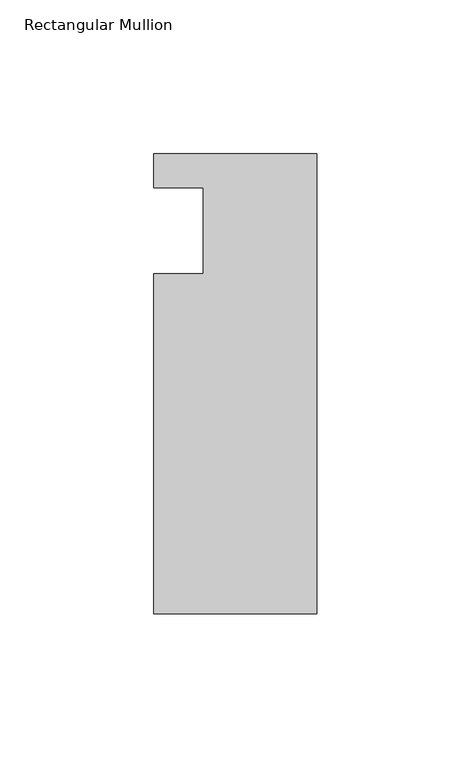
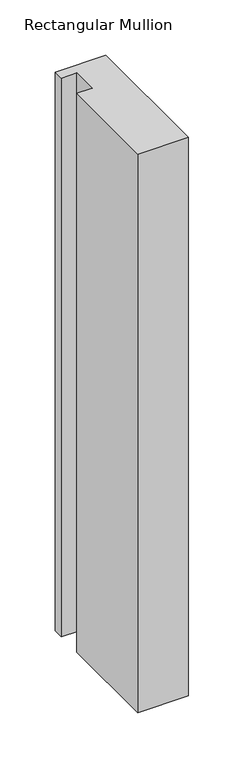
"""IFC4 building model written with IfcOpenShell, lengths in millimetres: member geometry, Rectangular Mullion."""

from ifc_helpers import new_model, si_unit, frame, origin, place, context, project, spatial, polyline, outline, extrude, source, transform, mapped, element, save


def rectangular_mullion_c9ec3625(model_context):
    return source(origin(), model_context, "Body", "SweptSolid", [
        extrude(outline(polyline([(-37.0, 13.9999453), (-53.0, 13.9999453), (-53.0, 24.9999453), (0.0, 24.9999453), (0.0, -124.5000547), (-53.0, -124.5000547), (-53.0, -14.0000547), (-37.0, -14.0000547), (-37.0, 13.9999453)])), frame((0.0, 0.0, -617.5375685), z_axis=(0.0, 0.0, 1.0), x_axis=(1.0, 0.0, 0.0)), (0.0, 0.0, 1.0), 617.5375685),
    ])


if __name__ == "__main__":
    model = new_model("IFC4")
    model_context = context("Model", 3, world=origin())
    ifc_project = project(units=[si_unit("LENGTHUNIT", "METRE", prefix="MILLI")], contexts=[model_context])
    site = spatial("IfcSite", under=ifc_project)
    building = spatial("IfcBuilding", under=site)
    placement = place(None, origin())
    rectangular_mullion_shape = rectangular_mullion_c9ec3625(model_context)
    element("IfcMember", 1, ObjectType="Rectangular Mullion", at=placement, inside=building, context=model_context, shape_type="MappedRepresentation", body=[
        mapped(rectangular_mullion_shape, transform((0.0, 0.0, 0.0), x_axis=(1.0, 0.0, 0.0), y_axis=(0.0, 1.0, 0.0), z_axis=(0.0, 0.0, 1.0))),
    ])
    save(model, "model.ifc")
